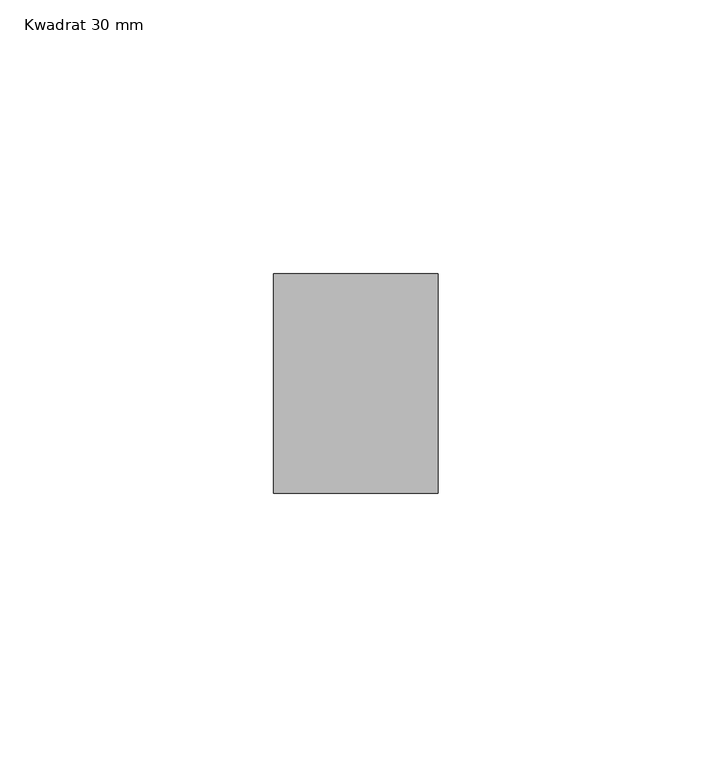
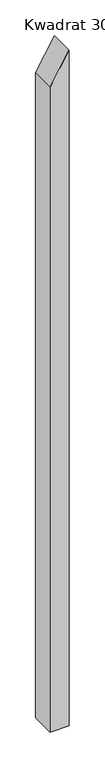
"""IFC4 building model written with IfcOpenShell, lengths in millimetres: member geometry, Kwadrat 30 mm."""

from ifc_helpers import new_model, si_unit, frame, origin, place, context, project, spatial, polyline, outline, extrude, source, transform, mapped, element, save


def kwadrat_30_mm_6efb2349(model_context):
    return source(origin(), model_context, "Body", "SweptSolid", [
        extrude(outline(polyline([(0.0, 0.0), (-51.9615242, -30.0), (-1146.4321377, -30.0), (-1146.4321377, 0.0), (0.0, 0.0)])), frame((0.0, -20.0, 0.0), z_axis=(0.0, 1.0, 0.0), x_axis=(0.0, 0.0, 1.0)), (0.0, 0.0, 1.0), 40.0),
    ])


if __name__ == "__main__":
    model = new_model("IFC4")
    model_context = context("Model", 3, world=origin())
    ifc_project = project(units=[si_unit("LENGTHUNIT", "METRE", prefix="MILLI")], contexts=[model_context])
    site = spatial("IfcSite", under=ifc_project)
    building = spatial("IfcBuilding", under=site)
    placement = place(None, origin())
    kwadrat_30_mm_shape = kwadrat_30_mm_6efb2349(model_context)
    element("IfcMember", 1, ObjectType="Kwadrat 30 mm", at=placement, inside=building, context=model_context, shape_type="MappedRepresentation", body=[
        mapped(kwadrat_30_mm_shape, transform((0.0, 0.0, 0.0), x_axis=(1.0, 0.0, 0.0), y_axis=(0.0, 1.0, 0.0), z_axis=(0.0, 0.0, 1.0))),
    ])
    save(model, "model.ifc")
